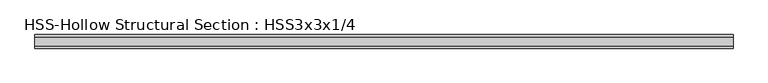
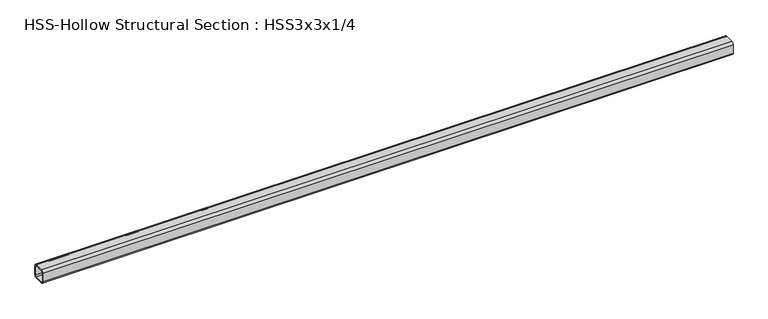
"""IFC4 building model written with IfcOpenShell, lengths in millimetres: beam geometry, HSS-Hollow Structural Section : HSS3x3x1/4."""

from ifc_helpers import new_model, si_unit, point, frame, frame_2d, origin, place, context, project, spatial, polyline, circle_curve, trimmed, segment, composite_curve, outline, extrude, source, transform, mapped, element, save


def hss_hollow_structural_section_hss3x3x1_4_271822c6(model_context):
    return source(origin(), model_context, "Body", "SweptSolid", [
        extrude(outline(composite_curve([segment(polyline([(38.1, 25.4), (38.1, -25.4)]), True, "CONTINUOUS"), segment(trimmed(circle_curve(frame_2d((25.4, -25.4)), 12.7), [point((38.1, -25.4))], [point((25.4, -38.1))], False, "CARTESIAN"), True, "CONTINUOUS"), segment(polyline([(25.4, -38.1), (-25.4, -38.1)]), True, "CONTINUOUS"), segment(trimmed(circle_curve(frame_2d((-25.4, -25.4)), 12.7), [point((-25.4, -38.1))], [point((-38.1, -25.4))], False, "CARTESIAN"), True, "CONTINUOUS"), segment(polyline([(-38.1, -25.4), (-38.1, 25.4)]), True, "CONTINUOUS"), segment(trimmed(circle_curve(frame_2d((-25.4, 25.4)), 12.7), [point((-38.1, 25.4))], [point((-25.4, 38.1))], False, "CARTESIAN"), True, "CONTINUOUS"), segment(polyline([(-25.4, 38.1), (25.4, 38.1)]), True, "CONTINUOUS"), segment(trimmed(circle_curve(frame_2d((25.4, 25.4)), 12.7), [point((25.4, 38.1))], [point((38.1, 25.4))], False, "CARTESIAN"), True, "CONTINUOUS")], self_intersect=False), holes=[composite_curve([segment(trimmed(circle_curve(frame_2d((-25.4, 25.4)), 6.35), [point((-25.4, 31.75))], [point((-31.75, 25.4))], True, "CARTESIAN"), True, "CONTINUOUS"), segment(polyline([(-31.75, 25.4), (-31.75, -25.4)]), True, "CONTINUOUS"), segment(trimmed(circle_curve(frame_2d((-25.4, -25.4)), 6.35), [point((-31.75, -25.4))], [point((-25.4, -31.75))], True, "CARTESIAN"), True, "CONTINUOUS"), segment(polyline([(-25.4, -31.75), (25.4, -31.75)]), True, "CONTINUOUS"), segment(trimmed(circle_curve(frame_2d((25.4, -25.4)), 6.35), [point((25.4, -31.75))], [point((31.75, -25.4))], True, "CARTESIAN"), True, "CONTINUOUS"), segment(polyline([(31.75, -25.4), (31.75, 25.4)]), True, "CONTINUOUS"), segment(trimmed(circle_curve(frame_2d((25.4, 25.4)), 6.35), [point((31.75, 25.4))], [point((25.4, 31.75))], True, "CARTESIAN"), True, "CONTINUOUS"), segment(polyline([(25.4, 31.75), (-25.4, 31.75)]), True, "CONTINUOUS")], self_intersect=False)]), frame((-1949.45, 0.0, 0.0), z_axis=(1.0, 0.0, 0.0), x_axis=(0.0, 1.0, 0.0)), (0.0, 0.0, 1.0), 3898.9),
    ])


if __name__ == "__main__":
    model = new_model("IFC4")
    model_context = context("Model", 3, world=origin())
    ifc_project = project(units=[si_unit("LENGTHUNIT", "METRE", prefix="MILLI")], contexts=[model_context])
    site = spatial("IfcSite", under=ifc_project)
    building = spatial("IfcBuilding", under=site)
    placement = place(None, origin())
    hss_hollow_structural_section_hss3x3x1_4_shape = hss_hollow_structural_section_hss3x3x1_4_271822c6(model_context)
    element("IfcBeam", 1, ObjectType="HSS-Hollow Structural Section : HSS3x3x1/4", at=placement, inside=building, context=model_context, shape_type="MappedRepresentation", body=[
        mapped(hss_hollow_structural_section_hss3x3x1_4_shape, transform((0.0, 0.0, 0.0), x_axis=(1.0, 0.0, 0.0), y_axis=(0.0, 1.0, 0.0), z_axis=(0.0, 0.0, 1.0))),
    ])
    save(model, "model.ifc")
